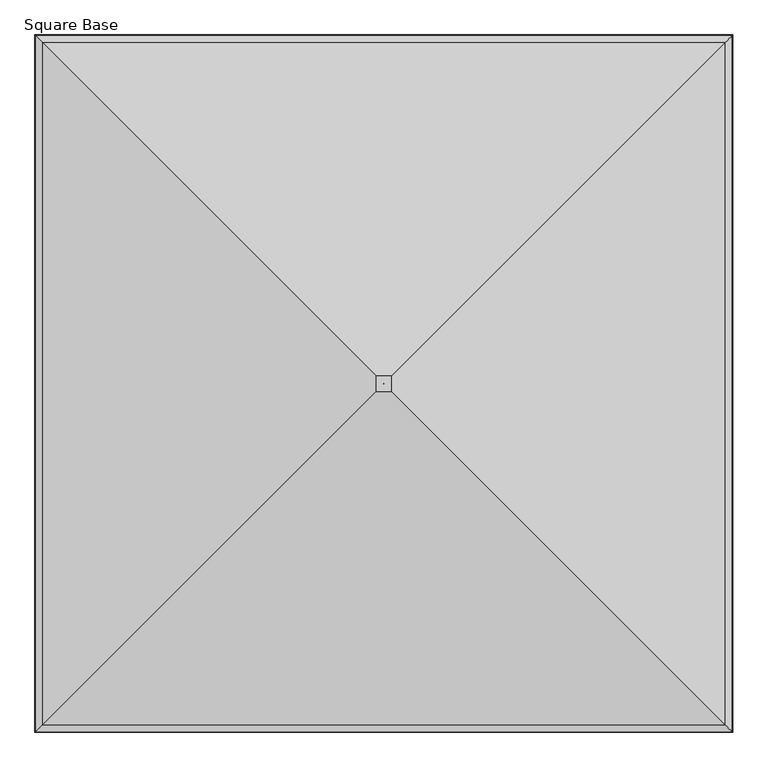
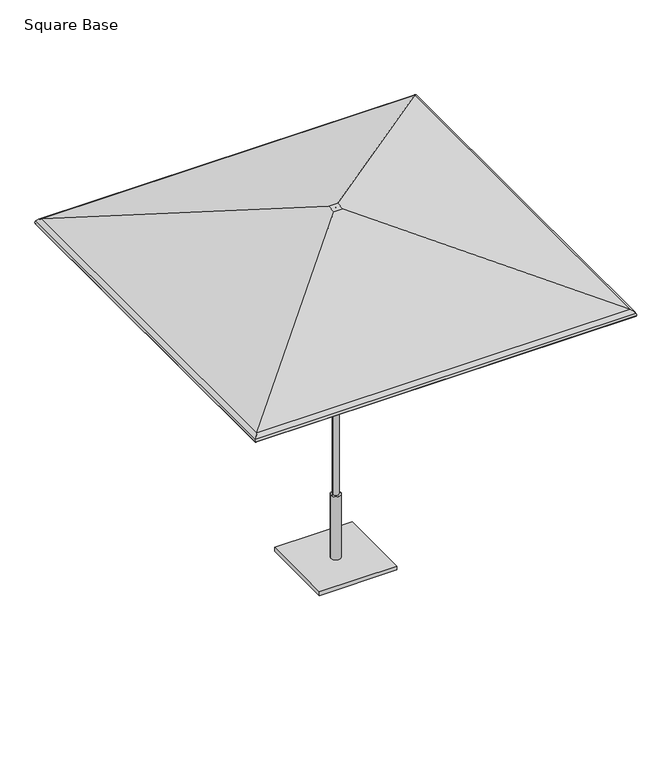
"""IFC4 building model written with IfcOpenShell, lengths in millimetres: furniture geometry, Square Base."""

from ifc_helpers import new_model, si_unit, frame, origin, origin_with_axes, place, context, project, spatial, polyline, circle_curve, ellipse_curve, outline, extrude, source, transform, mapped, element, save
from ifc_brep_helpers import plane_surface, cylinder_surface, revolved_surface, advanced_brep


def square_base_a82ced03(model_context):
    return source(origin(), model_context, "Body", "SolidModel", [
        advanced_brep(
        [(1223.4008004, -1227.8003535, 2056.1384861), (29.1271987, -33.5267518, 2448.9851097), (-29.1271987, -33.5267518, 2448.9851097), (-1223.4008004, -1227.8003535, 2056.1384861), (1247.9240129, -1252.323566, 2036.3991387), (-1247.9240129, -1252.323566, 2036.3991387), (1250.4423911, -1254.8419442, 2016.9581742), (-1250.4423911, -1254.8419442, 2016.9581742), (1246.050839, -1250.4503921, 2018.201129), (-1246.050839, -1250.4503921, 2018.201129), (1243.9941233, -1248.3936765, 2034.0782262), (-1243.9941233, -1248.3936765, 2034.0782262), (1221.9738888, -1226.3734419, 2051.8032133), (-1221.9738888, -1226.3734419, 2051.8032133), (28.3958193, -32.7953724, 2444.4210472), (-28.3958193, -32.7953724, 2444.4210472), (0.1068966, -4.5064497, 2448.9851097), (0.1068966, -4.5064497, 2444.4210472), (-0.1068966, -4.5064497, 2444.4210472), (-0.1068966, -4.5064497, 2448.9851097), (-29.1271987, 25.4668702, 2448.9851097), (-1223.4008004, 1219.740472, 2056.1384861), (-1247.9240129, 1244.2636844, 2036.3991387), (-1250.4423911, 1246.7820627, 2016.9581742), (-1246.050839, 1242.3905106, 2018.201129), (-1243.9941233, 1240.3337949, 2034.0782262), (-1221.9738888, 1218.3135603, 2051.8032133), (-28.3958193, 24.7354908, 2444.4210472), (-0.1068966, -3.5534318, 2444.4210472), (-0.1068966, -3.5534318, 2448.9851097), (29.1271987, 25.4668702, 2448.9851097), (1223.4008004, 1219.740472, 2056.1384861), (1247.9240129, 1244.2636844, 2036.3991387), (1250.4423911, 1246.7820627, 2016.9581742), (1246.050839, 1242.3905106, 2018.201129), (1243.9941233, 1240.3337949, 2034.0782262), (1221.9738888, 1218.3135603, 2051.8032133), (28.3958193, 24.7354908, 2444.4210472), (0.1068966, -3.5534318, 2444.4210472), (0.1068966, -3.5534318, 2448.9851097)],
        [
            (0, 1),
            (1, 2),
            (2, 3),
            (3, 0),
            (4, 0, ellipse_curve(frame((1209.4091708, -1213.8087239, 2013.6530594), z_axis=(-0.707106781186547, -0.7071067811865481, 0.0), x_axis=(0.707106781186548, -0.7071067811865471, 0.0)), 63.2578403, 44.7300479)),
            (3, 5, ellipse_curve(frame((-1209.4091708, -1213.8087239, 2013.6530594), z_axis=(0.7071067811865491, -0.7071067811865459, 0.0), x_axis=(0.7071067811865458, 0.7071067811865491, 0.0)), 63.2578403, 44.7300479)),
            (5, 4),
            (6, 4, ellipse_curve(frame((1226.48639, -1230.8859431, 2023.7385164), z_axis=(-0.707106781186547, -0.7071067811865481, 0.0), x_axis=(0.707106781186548, -0.7071067811865471, 0.0)), 35.2097438, 24.8970486)),
            (5, 7, ellipse_curve(frame((-1226.48639, -1230.8859431, 2023.7385164), z_axis=(0.7071067811865491, -0.7071067811865459, 0.0), x_axis=(0.7071067811865458, 0.7071067811865491, 0.0)), 35.2097438, 24.8970486)),
            (7, 6),
            (8, 6, ellipse_curve(frame((1248.2466151, -1252.6461682, 2017.5796516), z_axis=(-0.707106781186547, -0.7071067811865481, 0.0), x_axis=(0.707106781186548, -0.7071067811865471, 0.0)), 3.2272795, 2.2820312)),
            (7, 9, ellipse_curve(frame((-1248.2466151, -1252.6461682, 2017.5796516), z_axis=(0.7071067811865491, -0.7071067811865459, 0.0), x_axis=(0.7071067811865458, 0.7071067811865491, 0.0)), 3.2272795, 2.2820312)),
            (9, 8),
            (10, 8, ellipse_curve(frame((1226.48639, -1230.8859431, 2023.7385164), z_axis=(0.707106781186547, 0.7071067811865481, 0.0), x_axis=(-0.707106781186548, 0.7071067811865471, 0.0)), 28.7551847, 20.3329861)),
            (9, 11, ellipse_curve(frame((-1226.48639, -1230.8859431, 2023.7385164), z_axis=(-0.7071067811865491, 0.7071067811865459, 0.0), x_axis=(-0.7071067811865458, -0.7071067811865491, 0.0)), 28.7551847, 20.3329861)),
            (11, 10),
            (12, 10, ellipse_curve(frame((1209.4091708, -1213.8087239, 2013.6530594), z_axis=(0.707106781186547, 0.7071067811865481, 0.0), x_axis=(-0.707106781186548, 0.7071067811865471, 0.0)), 56.8032813, 40.1659854)),
            (11, 13, ellipse_curve(frame((-1209.4091708, -1213.8087239, 2013.6530594), z_axis=(-0.7071067811865491, 0.7071067811865459, 0.0), x_axis=(-0.7071067811865458, -0.7071067811865491, 0.0)), 56.8032813, 40.1659854)),
            (13, 12),
            (14, 12),
            (13, 15),
            (15, 14),
            (16, 17),
            (17, 18),
            (18, 19),
            (19, 16),
            (2, 20),
            (20, 21),
            (21, 3),
            (21, 22, ellipse_curve(frame((-1209.4091708, 1205.7488423, 2013.6530594), z_axis=(-0.7071067811865482, -0.7071067811865469, 0.0), x_axis=(0.707106781186547, -0.707106781186548, 0.0)), 63.2578403, 44.7300479)),
            (22, 5),
            (22, 23, ellipse_curve(frame((-1226.48639, 1222.8260616, 2023.7385164), z_axis=(-0.7071067811865482, -0.7071067811865469, 0.0), x_axis=(0.707106781186547, -0.707106781186548, 0.0)), 35.2097438, 24.8970486)),
            (23, 7),
            (23, 24, ellipse_curve(frame((-1248.2466151, 1244.5862866, 2017.5796516), z_axis=(-0.7071067811865482, -0.7071067811865469, 0.0), x_axis=(0.707106781186547, -0.707106781186548, 0.0)), 3.2272795, 2.2820312)),
            (24, 9),
            (24, 25, ellipse_curve(frame((-1226.48639, 1222.8260616, 2023.7385164), z_axis=(0.7071067811865482, 0.7071067811865469, 0.0), x_axis=(-0.707106781186547, 0.707106781186548, 0.0)), 28.7551847, 20.3329861)),
            (25, 11),
            (25, 26, ellipse_curve(frame((-1209.4091708, 1205.7488423, 2013.6530594), z_axis=(0.7071067811865482, 0.7071067811865469, 0.0), x_axis=(-0.707106781186547, 0.707106781186548, 0.0)), 56.8032813, 40.1659854)),
            (26, 13),
            (26, 27),
            (27, 15),
            (18, 28),
            (28, 29),
            (29, 19),
            (20, 30),
            (30, 31),
            (31, 21),
            (31, 32, ellipse_curve(frame((1209.4091708, 1205.7488423, 2013.6530594), z_axis=(-0.7071067811865458, 0.7071067811865492, 0.0), x_axis=(-0.7071067811865492, -0.7071067811865458, 0.0)), 63.2578403, 44.7300479)),
            (32, 22),
            (32, 33, ellipse_curve(frame((1226.48639, 1222.8260616, 2023.7385164), z_axis=(-0.7071067811865458, 0.7071067811865492, 0.0), x_axis=(-0.7071067811865492, -0.7071067811865458, 0.0)), 35.2097438, 24.8970486)),
            (33, 23),
            (33, 34, ellipse_curve(frame((1248.2466151, 1244.5862866, 2017.5796516), z_axis=(-0.7071067811865458, 0.7071067811865492, 0.0), x_axis=(-0.7071067811865492, -0.7071067811865458, 0.0)), 3.2272795, 2.2820312)),
            (34, 24),
            (34, 35, ellipse_curve(frame((1226.48639, 1222.8260616, 2023.7385164), z_axis=(0.7071067811865458, -0.7071067811865492, 0.0), x_axis=(0.7071067811865492, 0.7071067811865458, 0.0)), 28.7551847, 20.3329861)),
            (35, 25),
            (35, 36, ellipse_curve(frame((1209.4091708, 1205.7488423, 2013.6530594), z_axis=(0.7071067811865458, -0.7071067811865492, 0.0), x_axis=(0.7071067811865492, 0.7071067811865458, 0.0)), 56.8032813, 40.1659854)),
            (36, 26),
            (36, 37),
            (37, 27),
            (28, 38),
            (38, 39),
            (39, 29),
            (30, 1),
            (0, 31),
            (4, 32),
            (6, 33),
            (8, 34),
            (10, 35),
            (12, 36),
            (14, 37),
            (17, 38),
            (16, 39),
        ],
        [
            plane_surface(frame((29.1271987, -33.5267518, 2448.9851097), z_axis=(0.0, -0.3124708984398308, 0.9499273328145712), x_axis=(-1.0, 0.0, 0.0))),
            cylinder_surface(frame((1267.8016718, -1213.8087239, 2013.6530594), z_axis=(1.0, 0.0, 0.0), x_axis=(0.0, -1.0, 0.0)), 44.7300479),
            cylinder_surface(frame((1267.8016718, -1230.8859431, 2023.7385164), z_axis=(1.0, 0.0, 0.0), x_axis=(0.0, -1.0, 0.0)), 24.8970486),
            cylinder_surface(frame((1267.8016718, -1252.6461682, 2017.5796516), z_axis=(1.0, 0.0, 0.0), x_axis=(0.0, -1.0, 0.0)), 2.2820312),
            revolved_surface(polyline([(-1246.8193760956415, -1251.2189292, 2023.7385164), (1246.8193760956417, -1251.2189292, 2023.7385164)]), (1267.8016718, -1230.8859431, 2023.7385164), (-1.0, 0.0, 0.0)),
            revolved_surface(polyline([(-1249.5751562008768, -1253.9747092999999, 2013.6530594), (1249.575156200877, -1253.9747092999999, 2013.6530594)]), (1267.8016718, -1213.8087239, 2013.6530594), (-1.0, 0.0, 0.0)),
            plane_surface(frame((1221.9738888, -1226.3734419, 2051.8032133), z_axis=(0.0, 0.3124708984398308, -0.9499273328145712), x_axis=(-1.0, 0.0, 0.0))),
            plane_surface(frame((0.1068966, -4.5064497, 2444.4210472), z_axis=(-1.2662550629033169e-12, 1.0, 0.0), x_axis=(-1.0, -1.2662550629033169e-12, 0.0))),
            plane_surface(frame((-29.1271987, -33.5267518, 2448.9851097), z_axis=(-0.3124708984398277, 0.0, 0.9499273328145722), x_axis=(0.0, 1.0, 0.0))),
            cylinder_surface(frame((-1209.4091708, -1272.2012249, 2013.6530594), z_axis=(0.0, -1.0, 0.0), x_axis=(-1.0, 0.0, 0.0)), 44.7300479),
            cylinder_surface(frame((-1226.48639, -1272.2012249, 2023.7385164), z_axis=(0.0, -1.0, 0.0), x_axis=(-1.0, 0.0, 0.0)), 24.8970486),
            cylinder_surface(frame((-1248.2466151, -1272.2012249, 2017.5796516), z_axis=(0.0, -1.0, 0.0), x_axis=(-1.0, 0.0, 0.0)), 2.2820312),
            revolved_surface(polyline([(-1246.8193761, 1243.1590476956417, 2023.7385164), (-1246.8193761, -1251.2189291956417, 2023.7385164)]), (-1226.48639, -1272.2012249, 2023.7385164), (0.0, 1.0, 0.0)),
            revolved_surface(polyline([(-1249.5751562, 1245.9148277008771, 2013.6530594), (-1249.5751562, -1253.974709300877, 2013.6530594)]), (-1209.4091708, -1272.2012249, 2013.6530594), (0.0, 1.0, 0.0)),
            plane_surface(frame((-1221.9738888, -1226.3734419, 2051.8032133), z_axis=(0.3124708984398277, 0.0, -0.9499273328145722), x_axis=(0.0, 1.0, 0.0))),
            plane_surface(frame((-0.1068966, -4.5064497, 2444.4210472), z_axis=(1.0, 0.0, 0.0), x_axis=(0.0, 1.0, 0.0))),
            plane_surface(frame((-29.1271987, 25.4668702, 2448.9851097), z_axis=(0.0, 0.31247089843983084, 0.9499273328145712), x_axis=(1.0, 0.0, 0.0))),
            cylinder_surface(frame((-1267.8016718, 1205.7488423, 2013.6530594), z_axis=(-1.0, 0.0, 0.0), x_axis=(0.0, 1.0, 0.0)), 44.7300479),
            cylinder_surface(frame((-1267.8016718, 1222.8260616, 2023.7385164), z_axis=(-1.0, 0.0, 0.0), x_axis=(0.0, 1.0, 0.0)), 24.8970486),
            cylinder_surface(frame((-1267.8016718, 1244.5862866, 2017.5796516), z_axis=(-1.0, 0.0, 0.0), x_axis=(0.0, 1.0, 0.0)), 2.2820312),
            revolved_surface(polyline([(1246.819376095642, 1243.1590477, 2023.7385164), (-1246.8193760956417, 1243.1590477, 2023.7385164)]), (-1267.8016718, 1222.8260616, 2023.7385164), (1.0, 0.0, 0.0)),
            revolved_surface(polyline([(1249.5751562008772, 1245.9148277, 2013.6530594), (-1249.575156200877, 1245.9148277, 2013.6530594)]), (-1267.8016718, 1205.7488423, 2013.6530594), (1.0, 0.0, 0.0)),
            plane_surface(frame((-1221.9738888, 1218.3135603, 2051.8032133), z_axis=(0.0, -0.31247089843983084, -0.9499273328145712), x_axis=(1.0, 0.0, 0.0))),
            plane_surface(frame((-0.1068966, -3.5534318, 2444.4210472), z_axis=(-1.2662550628904897e-12, -1.0, 0.0), x_axis=(1.0, -1.2662550628904897e-12, 0.0))),
            plane_surface(frame((29.1271987, 25.4668702, 2448.9851097), z_axis=(0.312470898439834, 0.0, 0.9499273328145701), x_axis=(0.0, -1.0, 0.0))),
            cylinder_surface(frame((1209.4091708, 1264.1413433, 2013.6530594), z_axis=(0.0, 1.0, 0.0), x_axis=(1.0, 0.0, 0.0)), 44.7300479),
            cylinder_surface(frame((1226.48639, 1264.1413433, 2023.7385164), z_axis=(0.0, 1.0, 0.0), x_axis=(1.0, 0.0, 0.0)), 24.8970486),
            cylinder_surface(frame((1248.2466151, 1264.1413433, 2017.5796516), z_axis=(0.0, 1.0, 0.0), x_axis=(1.0, 0.0, 0.0)), 2.2820312),
            revolved_surface(polyline([(1246.8193761, -1251.2189291956413, 2023.7385164), (1246.8193761, 1243.1590476956417, 2023.7385164)]), (1226.48639, 1264.1413433, 2023.7385164), (0.0, -1.0, 0.0)),
            revolved_surface(polyline([(1249.5751562, -1253.974709300877, 2013.6530594), (1249.5751562, 1245.914827700877, 2013.6530594)]), (1209.4091708, 1264.1413433, 2013.6530594), (0.0, -1.0, 0.0)),
            plane_surface(frame((1221.9738888, 1218.3135603, 2051.8032133), z_axis=(-0.312470898439834, 0.0, -0.9499273328145701), x_axis=(0.0, -1.0, 0.0))),
            plane_surface(frame((28.3958193, 24.7354908, 2444.4210472), z_axis=(0.0, 0.0, -1.0), x_axis=(0.0, -1.0, 0.0))),
            plane_surface(frame((0.1068966, -3.5534318, 2444.4210472), z_axis=(-1.0, 0.0, 0.0), x_axis=(0.0, -1.0, 0.0))),
            plane_surface(frame((0.1068966, -3.5534318, 2448.9851097), z_axis=(0.0, 0.0, 1.0), x_axis=(0.0, -1.0, 0.0))),
        ],
        [
            (0, [[1, 2, 3, 4]]),
            (1, [[5, -4, 6, 7]]),
            (2, [[8, -7, 9, 10]]),
            (3, [[11, -10, 12, 13]]),
            (4, [[14, -13, 15, 16]]),
            (5, [[17, -16, 18, 19]]),
            (6, [[20, -19, 21, 22]]),
            (7, [[23, 24, 25, 26]]),
            (8, [[-3, 27, 28, 29]]),
            (9, [[-6, -29, 30, 31]]),
            (10, [[-9, -31, 32, 33]]),
            (11, [[-12, -33, 34, 35]]),
            (12, [[-15, -35, 36, 37]]),
            (13, [[-18, -37, 38, 39]]),
            (14, [[-21, -39, 40, 41]]),
            (15, [[-25, 42, 43, 44]]),
            (16, [[-28, 45, 46, 47]]),
            (17, [[-30, -47, 48, 49]]),
            (18, [[-32, -49, 50, 51]]),
            (19, [[-34, -51, 52, 53]]),
            (20, [[-36, -53, 54, 55]]),
            (21, [[-38, -55, 56, 57]]),
            (22, [[-40, -57, 58, 59]]),
            (23, [[-43, 60, 61, 62]]),
            (24, [[-46, 63, -1, 64]]),
            (25, [[-48, -64, -5, 65]]),
            (26, [[-50, -65, -8, 66]]),
            (27, [[-52, -66, -11, 67]]),
            (28, [[-54, -67, -14, 68]]),
            (29, [[-56, -68, -17, 69]]),
            (30, [[-58, -69, -20, 70]]),
            (31, [[-41, -59, -70, -22], [71, -60, -42, -24]]),
            (32, [[-61, -71, -23, 72]]),
            (33, [[-63, -45, -27, -2], [-44, -62, -72, -26]]),
        ],
    ),
        advanced_brep(
        [(-19.05, -4.0299408, 463.5500121), (19.05, -4.0299408, 463.5500121), (31.7499992, -4.0299408, 463.5500121), (-31.7499992, -4.0299408, 463.5500121), (-19.05, -4.0299408, 1873.1507813), (19.05, -4.0299408, 1873.1507813), (0.0, -4.0299408, 1873.1507813), (-31.7499992, -4.0299408, 25.4), (31.7499992, -4.0299408, 25.4), (0.0, -4.0299408, 25.4)],
        [
            (0, 1, circle_curve(frame((0.0, -4.0299408, 463.5500121), z_axis=(0.0, 0.0, -1.0), x_axis=(1.0, 0.0, 0.0)), 19.05)),
            (1, 2),
            (2, 3, circle_curve(frame((0.0, -4.0299408, 463.5500121), z_axis=(0.0, 0.0, 1.0), x_axis=(1.0, 0.0, 0.0)), 31.7499992)),
            (3, 0),
            (1, 0, circle_curve(frame((0.0, -4.0299408, 463.5500121), z_axis=(0.0, 0.0, -1.0), x_axis=(1.0, 0.0, 0.0)), 19.05)),
            (3, 2, circle_curve(frame((0.0, -4.0299408, 463.5500121), z_axis=(0.0, 0.0, 1.0), x_axis=(1.0, 0.0, 0.0)), 31.7499992)),
            (4, 5, circle_curve(frame((0.0, -4.0299408, 1873.1507813), z_axis=(0.0, 0.0, -1.0), x_axis=(1.0, 0.0, 0.0)), 19.05)),
            (5, 1),
            (0, 4),
            (5, 4, circle_curve(frame((0.0, -4.0299408, 1873.1507813), z_axis=(0.0, 0.0, -1.0), x_axis=(1.0, 0.0, 0.0)), 19.05)),
            (6, 5),
            (4, 6),
            (7, 8, circle_curve(frame((0.0, -4.0299408, 25.4), z_axis=(0.0, 0.0, -1.0), x_axis=(1.0, 0.0, 0.0)), 31.7499992)),
            (8, 9),
            (9, 7),
            (8, 7, circle_curve(frame((0.0, -4.0299408, 25.4), z_axis=(0.0, 0.0, -1.0), x_axis=(1.0, 0.0, 0.0)), 31.7499992)),
            (2, 8),
            (7, 3),
        ],
        [
            plane_surface(frame((0.0, -4.0299408, 463.5500121), z_axis=(0.0, 0.0, 1.0), x_axis=(1.0, 0.0, 0.0))),
            cylinder_surface(frame((0.0, -4.0299408, 2736.7507813), z_axis=(0.0, 0.0, 1.0), x_axis=(1.0, 0.0, 0.0)), 19.05),
            plane_surface(frame((0.0, -4.0299408, 1873.1507813), z_axis=(0.0, 0.0, 1.0), x_axis=(1.0, 0.0, 0.0))),
            plane_surface(frame((0.0, -4.0299408, 25.4), z_axis=(0.0, 0.0, -1.0), x_axis=(1.0, 0.0, 0.0))),
            cylinder_surface(frame((0.0, -4.0299408, 2736.7507813), z_axis=(0.0, 0.0, 1.0), x_axis=(1.0, 0.0, 0.0)), 31.7499992),
        ],
        [
            (0, [[1, 2, 3, 4]]),
            (0, [[5, -4, 6, -2]]),
            (1, [[7, 8, -1, 9]]),
            (1, [[10, -9, -5, -8]]),
            (2, [[11, -7, 12]]),
            (2, [[-12, -10, -11]]),
            (3, [[13, 14, 15]]),
            (3, [[16, -15, -14]]),
            (4, [[-3, 17, -13, 18]]),
            (4, [[-6, -18, -16, -17]]),
        ],
    ),
        extrude(outline(polyline([(254.0, 249.9700592), (254.0, -258.0299408), (-254.0, -258.0299408), (-254.0, 249.9700592), (254.0, 249.9700592)])), origin_with_axes(), (0.0, 0.0, 1.0), 25.4),
    ])


if __name__ == "__main__":
    model = new_model("IFC4")
    model_context = context("Model", 3, world=origin())
    ifc_project = project(units=[si_unit("LENGTHUNIT", "METRE", prefix="MILLI")], contexts=[model_context])
    site = spatial("IfcSite", under=ifc_project)
    building = spatial("IfcBuilding", under=site)
    placement = place(None, origin())
    square_base_shape = square_base_a82ced03(model_context)
    element("IfcFurniture", 1, ObjectType="Square Base", at=placement, inside=building, context=model_context, shape_type="MappedRepresentation", body=[
        mapped(square_base_shape, transform((0.0, 0.0, 0.0), x_axis=(1.0, 0.0, 0.0), y_axis=(0.0, 1.0, 0.0), z_axis=(0.0, 0.0, 1.0))),
    ])
    save(model, "model.ifc")
